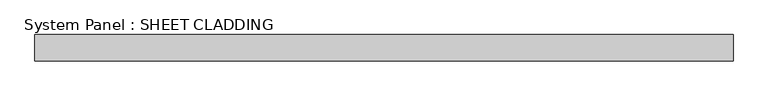
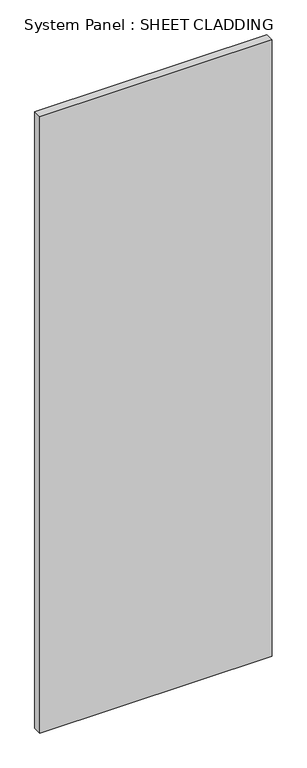
"""IFC4 building model written with IfcOpenShell, lengths in millimetres: plate geometry, System Panel : SHEET CLADDING."""

from ifc_helpers import new_model, si_unit, origin, origin_with_axes, place, context, project, spatial, polyline, outline, extrude, source, transform, mapped, element, save


def system_panel_sheet_cladding_95273638(model_context):
    return source(origin(), model_context, "Body", "SweptSolid", [
        extrude(outline(polyline([(802.0833333, -49.5), (-802.0833333, -49.5), (-802.0833333, 10.5), (802.0833333, 10.5), (802.0833333, -49.5)])), origin_with_axes(), (0.0, 0.0, 1.0), 4500.0),
    ])


if __name__ == "__main__":
    model = new_model("IFC4")
    model_context = context("Model", 3, world=origin())
    ifc_project = project(units=[si_unit("LENGTHUNIT", "METRE", prefix="MILLI")], contexts=[model_context])
    site = spatial("IfcSite", under=ifc_project)
    building = spatial("IfcBuilding", under=site)
    placement = place(None, origin())
    system_panel_sheet_cladding_shape = system_panel_sheet_cladding_95273638(model_context)
    element("IfcPlate", 1, ObjectType="System Panel : SHEET CLADDING", at=placement, inside=building, context=model_context, shape_type="MappedRepresentation", body=[
        mapped(system_panel_sheet_cladding_shape, transform((0.0, 0.0, 0.0), x_axis=(1.0, 0.0, 0.0), y_axis=(0.0, 1.0, 0.0), z_axis=(0.0, 0.0, 1.0))),
    ])
    save(model, "model.ifc")
